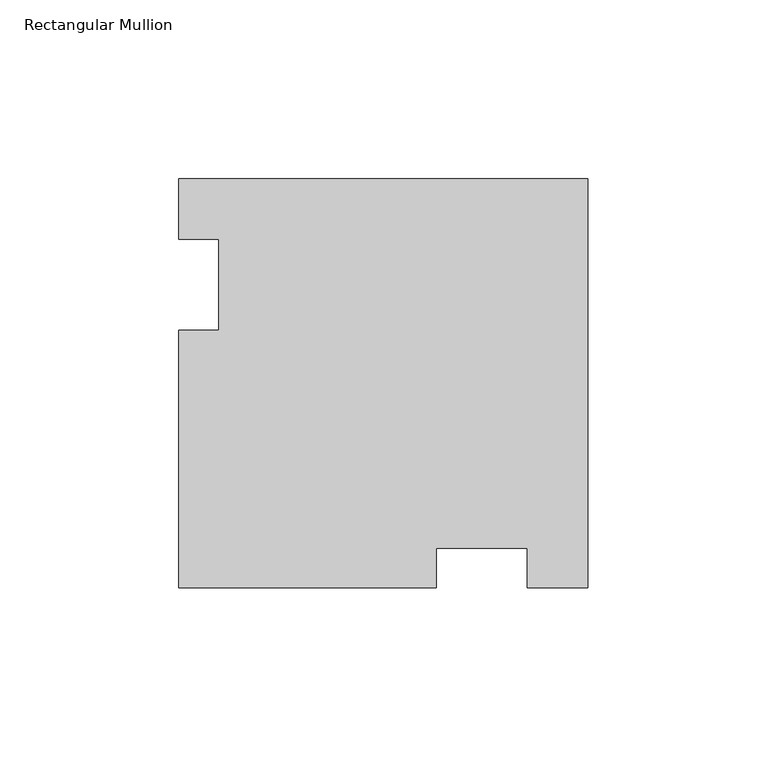
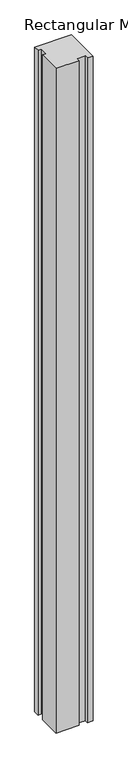
"""IFC4 building model written with IfcOpenShell, lengths in millimetres: member geometry, Rectangular Mullion."""

from ifc_helpers import new_model, si_unit, frame, origin, place, context, project, spatial, polyline, outline, extrude, source, transform, mapped, element, save


def rectangular_mullion_540053b5(model_context):
    return source(origin(), model_context, "Body", "SweptSolid", [
        extrude(outline(polyline([(-42.3635868, -84.6545868), (-114.3, -84.6545868), (-114.3, -12.7181735), (-103.1875, -12.7181735), (-103.1875, 12.7), (-114.3, 12.7), (-114.3, 29.6454132), (0.0, 29.6454132), (0.0, -84.6545868), (-16.9454132, -84.6545868), (-16.9454132, -73.5420868), (-42.3635868, -73.5420868), (-42.3635868, -84.6545868)])), frame((0.0, 0.0, -2174.875), z_axis=(0.0, 0.0, 1.0), x_axis=(1.0, 0.0, 0.0)), (0.0, 0.0, 1.0), 2174.875),
    ])


if __name__ == "__main__":
    model = new_model("IFC4")
    model_context = context("Model", 3, world=origin())
    ifc_project = project(units=[si_unit("LENGTHUNIT", "METRE", prefix="MILLI")], contexts=[model_context])
    site = spatial("IfcSite", under=ifc_project)
    building = spatial("IfcBuilding", under=site)
    placement = place(None, origin())
    rectangular_mullion_shape = rectangular_mullion_540053b5(model_context)
    element("IfcMember", 1, ObjectType="Rectangular Mullion", at=placement, inside=building, context=model_context, shape_type="MappedRepresentation", body=[
        mapped(rectangular_mullion_shape, transform((0.0, 0.0, 0.0), x_axis=(1.0, 0.0, 0.0), y_axis=(0.0, 1.0, 0.0), z_axis=(0.0, 0.0, 1.0))),
    ])
    save(model, "model.ifc")
